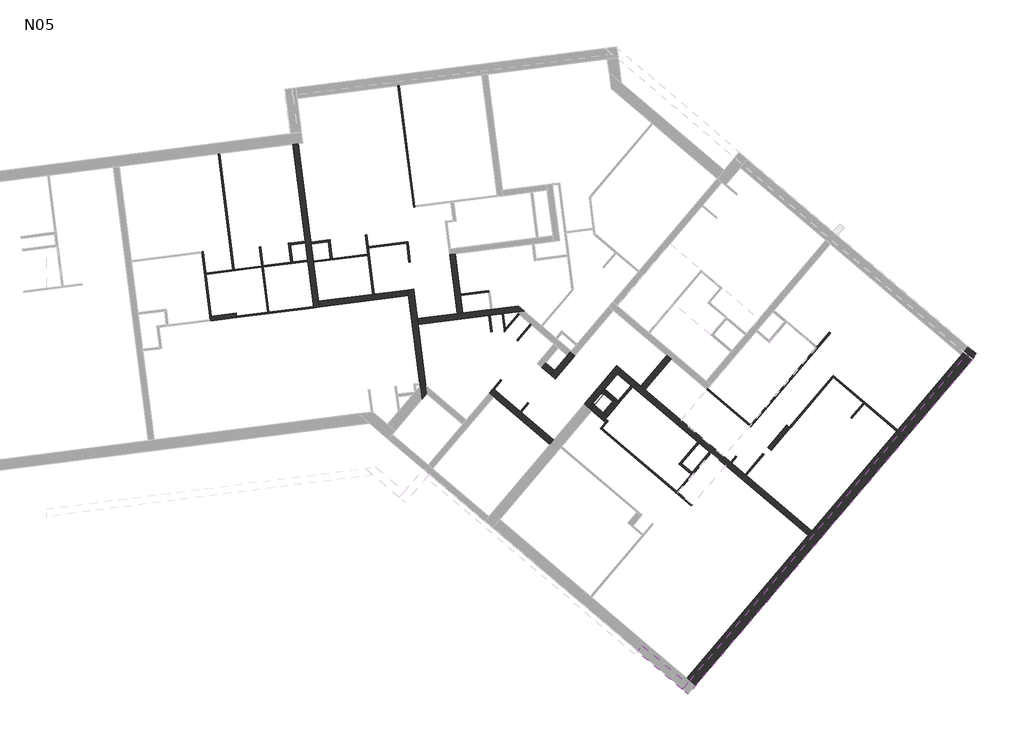
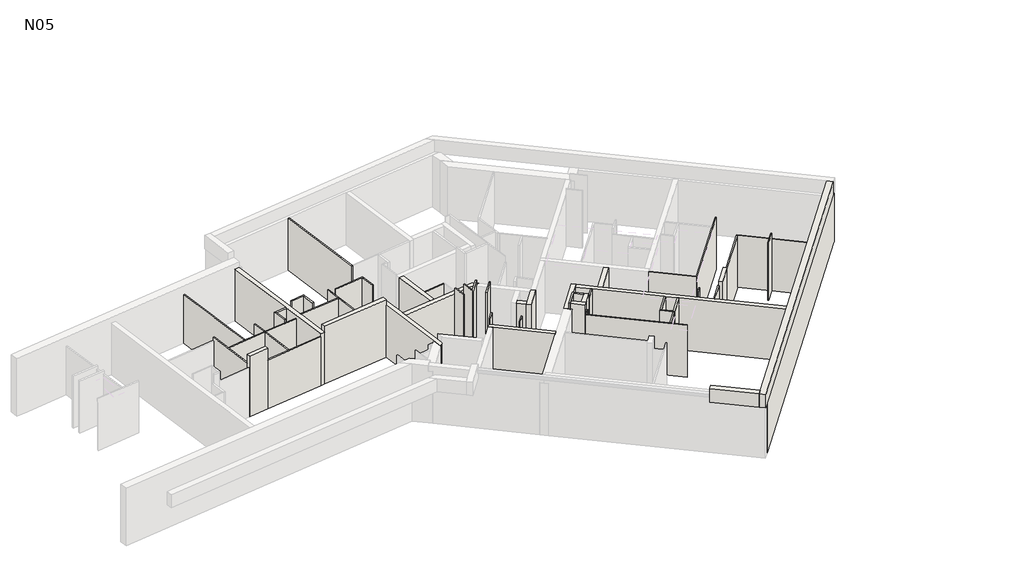
# One storey, part 2 of 3: 57 walls.
"""IFC4 building model written with IfcOpenShell, lengths in millimetres."""

from ifc_helpers import new_model, si_unit, frame, origin, place, context, project, spatial, polyline, outline, extrude, faceted_brep, element, save

model = new_model("IFC4")

# Units and contexts
model_context = context("Model", 3, world=origin())
ifc_project = project(units=[si_unit("LENGTHUNIT", "METRE", prefix="MILLI")], contexts=[model_context])

# Site, building, storey
site = spatial("IfcSite", under=ifc_project)
building = spatial("IfcBuilding", under=site)
storey = spatial("IfcBuildingStorey", under=building, Name="N05", Elevation=14150.0)

# Walls
placement = place(None, origin())
element("IfcWall", 1, at=placement, inside=storey, context=model_context, shape_type="Brep", body=[
    faceted_brep([(7448.5900764, 18403.1253969, 14150.0), (7473.9455369, 18204.7391559, 14150.0), (7854.1474738, 15229.9624634, 14150.0), (7860.4863389, 15180.3659032, 14150.0), (7865.2890942, 15142.7881766, 14150.0), (7925.3724793, 14672.6836444, 14150.0), (7925.3724793, 14672.6836444, 16650.0), (7865.2890942, 15142.7881766, 16650.0), (7448.5900764, 18403.1253969, 16650.0), (7646.9763174, 18428.4808575, 14150.0), (7646.9763174, 18428.4808575, 16650.0), (7775.7214118, 17421.1532528, 16650.0), (7801.0768724, 17222.7670118, 16650.0), (8100.609629, 14879.1622679, 16650.0), (8100.609629, 14879.1622679, 14150.0), (7801.0768724, 17222.7670118, 14150.0), (7775.7214118, 17421.1532528, 14150.0)], [[[0, 1, 2, 3, 4, 5, 6, 7, 8]], [[9, 10, 11, 12, 13, 14, 15, 16]], [[5, 4, 3, 2, 1, 0, 9, 16, 15, 14]], [[8, 7, 6, 13, 12, 11, 10]], [[0, 8, 10, 9]], [[5, 14, 13, 6]]]),
])
element("IfcWall", 2, at=placement, inside=storey, context=model_context, shape_type="Brep", body=[
    faceted_brep([(11193.6909618, 17857.9990323, 14150.0), (9323.1340917, 17618.9258451, 14150.0), (9124.7478507, 17593.5703845, 14150.0), (7775.7214118, 17421.1532528, 14150.0), (7775.7214118, 17421.1532528, 16650.0), (9124.7478507, 17593.5703845, 16650.0), (9323.1340917, 17618.9258451, 16650.0), (11193.6909618, 17857.9990323, 16650.0), (7801.0768724, 17222.7670118, 14150.0), (10201.5503886, 17529.5680845, 14150.0), (10251.1469488, 17535.9069496, 14150.0), (10647.9194308, 17586.6178707, 14150.0), (10697.5159911, 17592.9567358, 14150.0), (11131.5384241, 17648.4285197, 14150.0), (11400.1695853, 17682.7618826, 14150.0), (11400.1695853, 17682.7618826, 16650.0), (11131.5384241, 17648.4285197, 16650.0), (7801.0768724, 17222.7670118, 16650.0)], [[[0, 1, 2, 3, 4, 5, 6, 7]], [[8, 9, 10, 11, 12, 13, 14, 15, 16, 17]], [[3, 2, 1, 0, 14, 13, 12, 11, 10, 9, 8]], [[7, 6, 5, 4, 17, 16, 15]], [[4, 3, 8, 17]], [[0, 7, 15, 14]]]),
])
element("IfcWall", 3, at=placement, inside=storey, context=model_context, shape_type="Brep", body=[
    faceted_brep([(21169.2234821, 10207.5372268, 14150.0), (18944.375048, 12095.7525364, 14150.0), (18906.2535231, 12128.1060422, 14150.0), (18448.7952247, 12516.3481127, 14150.0), (18410.6736999, 12548.7016185, 14150.0), (15509.5884767, 15010.8349705, 14150.0), (15357.1023773, 15140.248994, 14150.0), (14698.6274171, 15699.0926804, 14150.0), (14698.6274171, 15699.0926804, 16650.0), (15357.1023773, 15140.248994, 16650.0), (15509.5884767, 15010.8349705, 16650.0), (18906.2535231, 12128.1060422, 16650.0), (18944.375048, 12095.7525364, 16650.0), (21169.2234821, 10207.5372268, 16650.0), (14569.2133936, 15546.6065809, 14150.0), (15034.295997, 15151.8938093, 14150.0), (15087.6661318, 15106.5989011, 14150.0), (17287.5345954, 13239.5839403, 14150.0), (17340.9047302, 13194.2890321, 14150.0), (17691.622759, 12896.6367781, 14150.0), (17744.9928938, 12851.3418699, 14150.0), (21039.8094586, 10055.0511274, 14150.0), (21039.8094586, 10055.0511274, 16650.0), (17744.9928938, 12851.3418699, 16650.0), (17691.622759, 12896.6367781, 16650.0), (17340.9047302, 13194.2890321, 16650.0), (17287.5345954, 13239.5839403, 16650.0), (15087.6661318, 15106.5989011, 16650.0), (15034.295997, 15151.8938093, 16650.0), (14569.2133936, 15546.6065809, 16650.0)], [[[0, 1, 2, 3, 4, 5, 6, 7, 8, 9, 10, 11, 12, 13]], [[14, 15, 16, 17, 18, 19, 20, 21, 22, 23, 24, 25, 26, 27, 28, 29]], [[7, 6, 5, 4, 3, 2, 1, 0, 21, 20, 19, 18, 17, 16, 15, 14]], [[13, 12, 11, 10, 9, 8, 29, 28, 27, 26, 25, 24, 23, 22]], [[8, 7, 14, 29]], [[0, 13, 22, 21]]]),
])
element("IfcWall", 4, at=placement, inside=storey, context=model_context, shape_type="SweptSolid", body=[
    extrude(outline(polyline([(16389.6038364, 16047.7404468), (15509.5884767, 15010.8349705), (15357.1023773, 15140.248994), (16237.1177369, 16177.1544703), (16389.6038364, 16047.7404468)])), frame((0.0, 0.0, 14150.0), z_axis=(0.0, 0.0, 1.0), x_axis=(1.0, 0.0, 0.0)), (0.0, 0.0, 1.0), 2500.0),
])
element("IfcWall", 5, at=placement, inside=storey, context=model_context, shape_type="Brep", body=[
    faceted_brep([(12403.0945249, 13303.3951464, 14150.0), (11305.1946088, 14235.1761155, 14150.0), (11267.073084, 14267.5296214, 14150.0), (10382.6537071, 15018.1309575, 14150.0), (10344.5321823, 15050.4844634, 14150.0), (10344.5321823, 15050.4844634, 16650.0), (12403.0945249, 13303.3951464, 16650.0), (12273.6805015, 13150.909047, 14150.0), (12273.6805015, 13150.909047, 16650.0), (10367.6042582, 14768.5843405, 16650.0), (10215.1181588, 14897.9983639, 16650.0), (10215.1181588, 14897.9983639, 14150.0), (10367.6042582, 14768.5843405, 14150.0)], [[[0, 1, 2, 3, 4, 5, 6]], [[7, 8, 9, 10, 11, 12]], [[4, 3, 2, 1, 0, 7, 12, 11]], [[6, 5, 10, 9, 8]], [[5, 4, 11, 10]], [[0, 6, 8, 7]]]),
])
element("IfcWall", 6, at=placement, inside=storey, context=model_context, shape_type="Brep", body=[
    faceted_brep([(26427.4789287, 16202.3347159, 16590.0), (17022.3147725, 5120.407438, 16590.0), (16938.1956572, 5021.2914733, 16590.0), (16769.9574267, 4823.059544, 16590.0), (16769.9574267, 4823.059544, 17230.0), (16938.1956572, 5021.2914733, 17230.0), (26427.4789287, 16202.3347159, 17230.0), (26625.710858, 16034.0964854, 16590.0), (26625.710858, 16034.0964854, 17230.0), (16968.189356, 4654.8213135, 17230.0), (16968.189356, 4654.8213135, 16590.0)], [[[0, 1, 2, 3, 4, 5, 6]], [[7, 8, 9, 10]], [[3, 2, 1, 0, 7, 10]], [[6, 5, 4, 9, 8]], [[4, 3, 10, 9]], [[0, 6, 8, 7]]]),
])
element("IfcWall", 7, at=placement, inside=storey, context=model_context, shape_type="Brep", body=[
    faceted_brep([(16938.1956572, 5021.2914733, 16590.0), (15413.3346628, 6315.431708, 16590.0), (15413.3346628, 6315.431708, 16920.0), (15413.3346628, 6315.431708, 17230.0), (16938.1956572, 5021.2914733, 17230.0), (16938.1956572, 5021.2914733, 16920.0), (15245.0964323, 6117.1997787, 16590.0), (16769.9574267, 4823.059544, 16590.0), (16769.9574267, 4823.059544, 17230.0), (15245.0964323, 6117.1997787, 17230.0), (15258.0378346, 6132.4483886, 16590.0), (15258.0378346, 6132.4483886, 17230.0)], [[[0, 1, 2, 3, 4, 5]], [[6, 7, 8, 9]], [[1, 0, 7, 6, 10]], [[6, 9, 11, 3, 2, 1, 10]], [[4, 3, 11, 9, 8]], [[0, 5, 4, 8, 7]]]),
])
element("IfcWall", 8, at=placement, inside=storey, context=model_context, shape_type="Brep", body=[
    faceted_brep([(26483.6597922, 16469.4371505, 14150.0), (26473.9537405, 16458.0006931, 14150.0), (26244.2438488, 16187.3378665, 14150.0), (21169.2234821, 10207.5372268, 14150.0), (21039.8094586, 10055.0511274, 14150.0), (16923.1988078, 5204.5265532, 14150.0), (16923.1988078, 5204.5265532, 16590.0), (26244.2438488, 16187.3378665, 16590.0), (26483.6597922, 16469.4371505, 16590.0), (26483.6597922, 16469.4371505, 14460.0), (26765.7590762, 16230.0212071, 14150.0), (26765.7590762, 16230.0212071, 16590.0), (17205.2980918, 4965.1106098, 16590.0), (17205.2980918, 4965.1106098, 14150.0), (26756.0530245, 16218.5847496, 14150.0), (17022.3147725, 5120.407438, 16590.0)], [[[0, 1, 2, 3, 4, 5, 6, 7, 8, 9]], [[10, 11, 12, 13, 14]], [[5, 4, 3, 2, 1, 0, 10, 14, 13]], [[8, 7, 6, 15, 12, 11]], [[6, 5, 13, 12, 15]], [[0, 9, 8, 11, 10]]]),
])
element("IfcWall", 9, at=placement, inside=storey, context=model_context, shape_type="SweptSolid", body=[
    extrude(outline(polyline([(14152.0802044, 14931.4722172), (14457.0524033, 14672.6441703), (14405.2867939, 14611.6497305), (14100.314595, 14870.4777775), (14152.0802044, 14931.4722172)])), frame((0.0, 0.0, 14150.0), z_axis=(0.0, 0.0, 1.0), x_axis=(1.0, 0.0, 0.0)), (0.0, 0.0, 1.0), 2770.0),
])
element("IfcWall", 10, at=placement, inside=storey, context=model_context, shape_type="Brep", body=[
    faceted_brep([(14091.0857646, 14983.2378266, 14150.0), (13586.371073, 14388.5420388, 14150.0), (13586.371073, 14388.5420388, 16920.0), (14091.0857646, 14983.2378266, 16920.0), (14019.9080517, 14899.3704719, 15650.0), (13728.7264989, 14556.2767482, 15650.0), (13728.7264989, 14556.2767482, 14650.0), (14019.9080517, 14899.3704719, 14650.0), (13647.3655128, 14336.7764294, 16920.0), (13647.3655128, 14336.7764294, 14150.0), (13776.7795363, 14489.2625288, 14150.0), (14100.314595, 14870.4777775, 14150.0), (14152.0802044, 14931.4722172, 14150.0), (14152.0802044, 14931.4722172, 16920.0), (14100.314595, 14870.4777775, 16920.0), (13776.7795363, 14489.2625288, 16920.0), (13789.7209386, 14504.5111388, 15650.0), (14080.9024915, 14847.6048625, 15650.0), (14080.9024915, 14847.6048625, 14650.0), (13789.7209386, 14504.5111388, 14650.0)], [[[0, 1, 2, 3], [4, 5, 6, 7]], [[8, 9, 10, 11, 12, 13, 14, 15], [16, 17, 18, 19]], [[1, 0, 12, 11, 10, 9]], [[3, 2, 8, 15, 14, 13]], [[4, 17, 16, 5]], [[6, 19, 18, 7]], [[17, 4, 7, 18]], [[5, 16, 19, 6]], [[0, 3, 13, 12]], [[1, 9, 8, 2]]]),
])
element("IfcWall", 11, at=placement, inside=storey, context=model_context, shape_type="Brep", body=[
    faceted_brep([(13647.3655128, 14336.7764294, 14150.0), (13700.7356476, 14291.4815212, 14150.0), (14104.8238112, 13948.5343589, 14150.0), (14104.8238112, 13948.5343589, 16920.0), (13647.3655128, 14336.7764294, 16920.0), (13776.7795363, 14489.2625288, 14150.0), (13776.7795363, 14489.2625288, 16920.0), (14081.7517352, 14230.4344819, 16920.0), (14234.2378347, 14101.0204584, 16920.0), (14234.2378347, 14101.0204584, 14150.0), (14081.7517352, 14230.4344819, 14150.0)], [[[0, 1, 2, 3, 4]], [[5, 6, 7, 8, 9, 10]], [[2, 1, 0, 5, 10, 9]], [[4, 3, 8, 7, 6]], [[3, 2, 9, 8]], [[0, 4, 6, 5]]]),
])
element("IfcWall", 12, at=placement, inside=storey, context=model_context, shape_type="Brep", body=[
    faceted_brep([(14234.2378347, 14101.0204584, 14150.0), (14609.5385027, 14543.2301468, 14150.0), (14609.5385027, 14543.2301468, 16920.0), (14234.2378347, 14101.0204584, 16920.0), (14081.7517352, 14230.4344819, 14150.0), (14081.7517352, 14230.4344819, 16920.0), (14405.2867939, 14611.6497305, 16920.0), (14457.0524033, 14672.6441703, 16920.0), (14457.0524033, 14672.6441703, 14150.0), (14405.2867939, 14611.6497305, 14150.0)], [[[0, 1, 2, 3]], [[4, 5, 6, 7, 8, 9]], [[1, 0, 4, 9, 8]], [[3, 2, 7, 6, 5]], [[0, 3, 5, 4]], [[2, 1, 8, 7]]]),
])
element("IfcWall", 13, at=placement, inside=storey, context=model_context, shape_type="Brep", body=[
    faceted_brep([(4446.7042459, 17817.8317941, 14150.0), (7473.9455369, 18204.7391559, 14150.0), (7473.9455369, 18204.7391559, 16920.0), (4446.7042459, 17817.8317941, 16920.0), (4446.7042459, 17817.8317941, 16650.0), (4421.3487853, 18016.2180351, 14150.0), (4421.3487853, 18016.2180351, 16920.0), (7448.5900764, 18403.1253969, 16920.0), (7448.5900764, 18403.1253969, 16650.0), (7448.5900764, 18403.1253969, 14150.0)], [[[0, 1, 2, 3, 4]], [[5, 6, 7, 8, 9]], [[1, 0, 5, 9]], [[3, 2, 7, 6]], [[0, 4, 3, 6, 5]], [[2, 1, 9, 8, 7]]]),
])
element("IfcWall", 14, at=placement, inside=storey, context=model_context, shape_type="Brep", body=[
    faceted_brep([(3538.3651094, 23347.2910817, 14150.0), (3957.9979815, 20063.998793, 14150.0), (3966.8723927, 19994.5636087, 14150.0), (4248.3180049, 17792.4763335, 14150.0), (4248.3180049, 17792.4763335, 16650.0), (3966.8723927, 19994.5636087, 16650.0), (3957.9979815, 20063.998793, 16650.0), (3538.3651094, 23347.2910817, 16650.0), (3736.7513504, 23372.6465422, 14150.0), (3736.7513504, 23372.6465422, 16650.0), (4245.7195776, 19390.3764045, 16650.0), (4252.0584428, 19340.7798442, 16650.0), (4446.7042459, 17817.8317941, 16650.0), (4446.7042459, 17817.8317941, 14150.0), (4421.3487853, 18016.2180351, 14150.0), (4252.0584428, 19340.7798442, 14150.0), (4245.7195776, 19390.3764045, 14150.0), (4172.188742, 19965.6965034, 14150.0), (4163.3143308, 20035.1316877, 14150.0)], [[[0, 1, 2, 3, 4, 5, 6, 7]], [[8, 9, 10, 11, 12, 13, 14, 15, 16, 17, 18]], [[3, 2, 1, 0, 8, 18, 17, 16, 15, 14, 13]], [[7, 6, 5, 4, 12, 11, 10, 9]], [[0, 7, 9, 8]], [[4, 3, 13, 12]]]),
])
element("IfcWall", 15, at=placement, inside=storey, context=model_context, shape_type="SweptSolid", body=[
    extrude(outline(polyline([(9067.0439401, 19622.6268793), (9323.1340917, 17618.9258451), (9124.7478507, 17593.5703845), (8868.6576991, 19597.2714187), (9067.0439401, 19622.6268793)])), frame((0.0, 0.0, 14150.0), z_axis=(0.0, 0.0, 1.0), x_axis=(1.0, 0.0, 0.0)), (0.0, 0.0, 1.0), 2500.0),
])
element("IfcWall", 16, at=placement, inside=storey, context=model_context, shape_type="Brep", body=[
    faceted_brep([(12962.4236983, 16284.7486131, 14150.0), (12435.0615526, 15663.3677578, 14150.0), (12305.6475292, 15510.8816583, 14150.0), (12305.6475292, 15510.8816583, 16650.0), (12435.0615526, 15663.3677578, 16650.0), (12962.4236983, 16284.7486131, 16650.0), (13114.9097978, 16155.3345896, 14150.0), (13114.9097978, 16155.3345896, 16650.0), (12458.1336286, 15381.4676348, 16650.0), (12458.1336286, 15381.4676348, 14150.0)], [[[0, 1, 2, 3, 4, 5]], [[6, 7, 8, 9]], [[2, 1, 0, 6, 9]], [[5, 4, 3, 8, 7]], [[0, 5, 7, 6]], [[3, 2, 9, 8]]]),
])
element("IfcWall", 17, at=placement, inside=storey, context=model_context, shape_type="SweptSolid", body=[
    extrude(outline(polyline([(12305.6475292, 15510.8816583), (12000.6753302, 15769.7097053), (12130.0893537, 15922.1958047), (12435.0615526, 15663.3677578), (12305.6475292, 15510.8816583)])), frame((0.0, 0.0, 14150.0), z_axis=(0.0, 0.0, 1.0), x_axis=(1.0, 0.0, 0.0)), (0.0, 0.0, 1.0), 2500.0),
])
element("IfcWall", 18, at=placement, inside=storey, context=model_context, shape_type="Brep", body=[
    faceted_brep([(13586.371073, 14388.5420388, 14150.0), (14091.0857646, 14983.2378266, 14150.0), (14136.3806728, 15036.6079614, 14150.0), (14569.2133936, 15546.6065809, 14150.0), (14698.6274171, 15699.0926804, 14150.0), (14698.6274171, 15699.0926804, 16650.0), (14569.2133936, 15546.6065809, 16650.0), (14136.3806728, 15036.6079614, 16650.0), (14091.0857646, 14983.2378266, 16650.0), (13586.371073, 14388.5420388, 16650.0), (13433.8849736, 14517.9560622, 14150.0), (13433.8849736, 14517.9560622, 16650.0), (14546.1413177, 15828.5067039, 16650.0), (14546.1413177, 15828.5067039, 14150.0)], [[[0, 1, 2, 3, 4, 5, 6, 7, 8, 9]], [[10, 11, 12, 13]], [[4, 3, 2, 1, 0, 10, 13]], [[9, 8, 7, 6, 5, 12, 11]], [[0, 9, 11, 10]], [[5, 4, 13, 12]]]),
])
element("IfcWall", 19, ObjectType="CLO 10", at=placement, inside=storey, context=model_context, shape_type="Brep", body=[
    faceted_brep([(14261.0224826, 13947.1289946, 14150.0), (14169.5308229, 14024.7774087, 14150.0), (14169.5308229, 14024.7774087, 16650.0), (14261.0224826, 13947.1289946, 16650.0), (14196.3154709, 13870.8859448, 14150.0), (14196.3154709, 13870.8859448, 16650.0), (14158.193946, 13903.2394507, 16650.0), (14104.8238112, 13948.5343589, 16650.0), (14104.8238112, 13948.5343589, 14150.0), (14158.193946, 13903.2394507, 14150.0)], [[[0, 1, 2, 3]], [[4, 5, 6, 7, 8, 9]], [[1, 0, 4, 9, 8]], [[2, 1, 8, 7]], [[3, 2, 7, 6, 5]], [[0, 3, 5, 4]]]),
])
element("IfcWall", 20, ObjectType="CLO 5", at=placement, inside=storey, context=model_context, shape_type="Brep", body=[
    faceted_brep([(13983.4850143, 13697.3832165, 14150.0), (17083.0214647, 11066.8255171, 14150.0), (17083.0214647, 11066.8255171, 16650.0), (13983.4850143, 13697.3832165, 16650.0), (14015.8385202, 13735.5047413, 14150.0), (14015.8385202, 13735.5047413, 16650.0), (14053.960045, 13703.1512354, 16650.0), (16581.6736225, 11557.8961242, 16650.0), (16619.7951473, 11525.5426183, 16650.0), (17115.3749706, 11104.947042, 16650.0), (17115.3749706, 11104.947042, 14150.0), (16619.7951473, 11525.5426183, 14150.0), (16581.6736225, 11557.8961242, 14150.0), (14053.960045, 13703.1512354, 14150.0)], [[[0, 1, 2, 3]], [[4, 5, 6, 7, 8, 9, 10, 11, 12, 13]], [[1, 0, 4, 13, 12, 11, 10]], [[2, 1, 10, 9]], [[3, 2, 9, 8, 7, 6, 5]], [[0, 3, 5, 4]]]),
])
element("IfcWall", 21, ObjectType="CLO 5", at=placement, inside=storey, context=model_context, shape_type="SweptSolid", body=[
    extrude(outline(polyline([(17111.5684366, 12104.9897962), (16619.7951473, 11525.5426183), (16581.6736225, 11557.8961242), (17073.4469117, 12137.3433021), (17111.5684366, 12104.9897962)])), frame((0.0, 0.0, 14150.0), z_axis=(0.0, 0.0, 1.0), x_axis=(1.0, 0.0, 0.0)), (0.0, 0.0, 1.0), 2500.0),
])
element("IfcWall", 22, ObjectType="CLO 5", at=placement, inside=storey, context=model_context, shape_type="SweptSolid", body=[
    extrude(outline(polyline([(11564.0226558, 14540.1483144), (11305.1946088, 14235.1761155), (11267.073084, 14267.5296214), (11525.9011309, 14572.5018203), (11564.0226558, 14540.1483144)])), frame((0.0, 0.0, 14150.0), z_axis=(0.0, 0.0, 1.0), x_axis=(1.0, 0.0, 0.0)), (0.0, 0.0, 1.0), 2770.0),
])
element("IfcWall", 23, ObjectType="CLO 5", at=placement, inside=storey, context=model_context, shape_type="SweptSolid", body=[
    extrude(outline(polyline([(10251.1469488, 17535.9069496), (10322.1422384, 16980.4254748), (10272.5456781, 16974.0866097), (10201.5503886, 17529.5680845), (10251.1469488, 17535.9069496)])), frame((0.0, 0.0, 14150.0), z_axis=(0.0, 0.0, 1.0), x_axis=(1.0, 0.0, 0.0)), (0.0, 0.0, 1.0), 2770.0),
])
element("IfcWall", 24, ObjectType="CLO 5", at=placement, inside=storey, context=model_context, shape_type="Brep", body=[
    faceted_brep([(11191.2514373, 17597.7504492, 14150.0), (10761.6055806, 17091.5068516, 14150.0), (10717.7962932, 17039.8871957, 14150.0), (10717.7962932, 17039.8871957, 16920.0), (10761.6055806, 17091.5068516, 16920.0), (11191.2514373, 17597.7504492, 16920.0), (11229.3729621, 17565.3969433, 14150.0), (11229.3729621, 17565.3969433, 16920.0), (10726.3796339, 16972.7294054, 16920.0), (10726.3796339, 16972.7294054, 14150.0)], [[[0, 1, 2, 3, 4, 5]], [[6, 7, 8, 9]], [[2, 1, 0, 6, 9]], [[5, 4, 3, 8, 7]], [[3, 2, 9, 8]], [[0, 5, 7, 6]]]),
])
element("IfcWall", 25, ObjectType="CLO 5", at=placement, inside=storey, context=model_context, shape_type="Brep", body=[
    faceted_brep([(10382.6537071, 15018.1309575, 14150.0), (10641.4817541, 15323.1031564, 14150.0), (10641.4817541, 15323.1031564, 16920.0), (10382.6537071, 15018.1309575, 16920.0), (10344.5321823, 15050.4844634, 14150.0), (10344.5321823, 15050.4844634, 16650.0), (10344.5321823, 15050.4844634, 16920.0), (10603.3602292, 15355.4566623, 16920.0), (10603.3602292, 15355.4566623, 14150.0)], [[[0, 1, 2, 3]], [[4, 5, 6, 7, 8]], [[1, 0, 4, 8]], [[2, 1, 8, 7]], [[3, 2, 7, 6]], [[0, 3, 6, 5, 4]]]),
])
element("IfcWall", 26, ObjectType="CLO 5", at=placement, inside=storey, context=model_context, shape_type="SweptSolid", body=[
    extrude(outline(polyline([(11142.841508, 16690.7247797), (11610.5882108, 17241.8618846), (11648.7097356, 17209.5083788), (11180.9630329, 16658.3712739), (11142.841508, 16690.7247797)])), frame((0.0, 0.0, 14150.0), z_axis=(0.0, 0.0, 1.0), x_axis=(1.0, 0.0, 0.0)), (0.0, 0.0, 1.0), 2770.0),
])
element("IfcWall", 27, ObjectType="CLO 5", at=placement, inside=storey, context=model_context, shape_type="SweptSolid", body=[
    extrude(outline(polyline([(14196.3154709, 13870.8859448), (14053.960045, 13703.1512354), (14015.8385202, 13735.5047413), (14158.193946, 13903.2394507), (14196.3154709, 13870.8859448)])), frame((0.0, 0.0, 14150.0), z_axis=(0.0, 0.0, 1.0), x_axis=(1.0, 0.0, 0.0)), (0.0, 0.0, 1.0), 2500.0),
])
element("IfcWall", 28, ObjectType="CLO 5", at=placement, inside=storey, context=model_context, shape_type="Brep", body=[
    faceted_brep([(7692.3390138, 21213.9727769, 14150.0), (7686.0001486, 21263.5693371, 14150.0), (7164.5987486, 25343.1191289, 14150.0), (7164.5987486, 25343.1191289, 16650.0), (7686.0001486, 21263.5693371, 16650.0), (7692.3390138, 21213.9727769, 16650.0), (7642.7424535, 21207.6339118, 14150.0), (7642.7424535, 21207.6339118, 16650.0), (7115.0021883, 25336.7802638, 16650.0), (7115.0021883, 25336.7802638, 14150.0)], [[[0, 1, 2, 3, 4, 5]], [[6, 7, 8, 9]], [[2, 1, 0, 6, 9]], [[5, 4, 3, 8, 7]], [[0, 5, 7, 6]], [[3, 2, 9, 8]]]),
])
element("IfcWall", 29, ObjectType="CLO 5", at=placement, inside=storey, context=model_context, shape_type="Brep", body=[
    faceted_brep([(4252.0584428, 19340.7798442, 14150.0), (6087.131172, 19575.3178543, 14150.0), (6087.131172, 19575.3178543, 16650.0), (4252.0584428, 19340.7798442, 16650.0), (4245.7195776, 19390.3764045, 14150.0), (4245.7195776, 19390.3764045, 16650.0), (6080.7923069, 19624.9144146, 16650.0), (6080.7923069, 19624.9144146, 14150.0), (4890.4748609, 19472.7816512, 14150.0), (4821.0396765, 19463.9072401, 14150.0)], [[[0, 1, 2, 3]], [[4, 5, 6, 7, 8, 9]], [[1, 0, 4, 9, 8, 7]], [[3, 2, 6, 5]], [[0, 3, 5, 4]], [[2, 1, 7, 6]]]),
])
element("IfcWall", 30, ObjectType="CLO 5", at=placement, inside=storey, context=model_context, shape_type="Brep", body=[
    faceted_brep([(5998.3870601, 20269.6696978, 14150.0), (6080.7923069, 19624.9144146, 14150.0), (6087.131172, 19575.3178543, 14150.0), (6256.4215146, 18250.7560452, 14150.0), (6256.4215146, 18250.7560452, 16650.0), (6087.131172, 19575.3178543, 16650.0), (6080.7923069, 19624.9144146, 16650.0), (5998.3870601, 20269.6696978, 16650.0), (6047.9836204, 20276.008563, 14150.0), (6047.9836204, 20276.008563, 16650.0), (6306.0180749, 18257.0949103, 16650.0), (6306.0180749, 18257.0949103, 14150.0), (6105.7099365, 19824.3462142, 14150.0), (6099.3710714, 19873.9427745, 14150.0)], [[[0, 1, 2, 3, 4, 5, 6, 7]], [[8, 9, 10, 11, 12, 13]], [[3, 2, 1, 0, 8, 13, 12, 11]], [[7, 6, 5, 4, 10, 9]], [[0, 7, 9, 8]], [[4, 3, 11, 10]]]),
])
element("IfcWall", 31, ObjectType="CLO 5", at=placement, inside=storey, context=model_context, shape_type="Brep", body=[
    faceted_brep([(6105.7099365, 19824.3462142, 14150.0), (7406.9909308, 19990.6610693, 14150.0), (7456.5874911, 19996.9999344, 14150.0), (7456.5874911, 19996.9999344, 16920.0), (7406.9909308, 19990.6610693, 16920.0), (6105.7099365, 19824.3462142, 16920.0), (6099.3710714, 19873.9427745, 14150.0), (6099.3710714, 19873.9427745, 16920.0), (7450.2486259, 20046.5964947, 16920.0), (7450.2486259, 20046.5964947, 14150.0)], [[[0, 1, 2, 3, 4, 5]], [[6, 7, 8, 9]], [[2, 1, 0, 6, 9]], [[5, 4, 3, 8, 7]], [[3, 2, 9, 8]], [[0, 5, 7, 6]]]),
])
element("IfcWall", 32, ObjectType="CLO 5", at=placement, inside=storey, context=model_context, shape_type="SweptSolid", body=[
    extrude(outline(polyline([(7489.3961776, 19345.905786), (7406.9909308, 19990.6610693), (7456.5874911, 19996.9999344), (7538.9927379, 19352.2446512), (7489.3961776, 19345.905786)])), frame((0.0, 0.0, 14150.0), z_axis=(0.0, 0.0, 1.0), x_axis=(1.0, 0.0, 0.0)), (0.0, 0.0, 1.0), 2770.0),
])
element("IfcWall", 33, ObjectType="CLO 5", at=placement, inside=storey, context=model_context, shape_type="SweptSolid", body=[
    extrude(outline(polyline([(10697.5159911, 17592.9567358), (10761.6055806, 17091.5068516), (10717.7962932, 17039.8871957), (10647.9194308, 17586.6178707), (10697.5159911, 17592.9567358)])), frame((0.0, 0.0, 14150.0), z_axis=(0.0, 0.0, 1.0), x_axis=(1.0, 0.0, 0.0)), (0.0, 0.0, 1.0), 2770.0),
])
element("IfcWall", 34, ObjectType="CLO 5", at=placement, inside=storey, context=model_context, shape_type="SweptSolid", body=[
    extrude(outline(polyline([(9241.5528819, 18257.2336968), (10183.8875266, 18377.6721345), (10190.2263918, 18328.0755742), (9247.891747, 18207.6371366), (9241.5528819, 18257.2336968)])), frame((0.0, 0.0, 14150.0), z_axis=(0.0, 0.0, 1.0), x_axis=(1.0, 0.0, 0.0)), (0.0, 0.0, 1.0), 2500.0),
])
element("IfcWall", 35, ObjectType="CLO 5", at=placement, inside=storey, context=model_context, shape_type="SweptSolid", body=[
    extrude(outline(polyline([(1510.9786555, 19095.9613877), (1008.9405366, 23024.0089596), (1058.5370969, 23030.3478248), (1560.5752158, 19102.3002529), (1510.9786555, 19095.9613877)])), frame((0.0, 0.0, 14150.0), z_axis=(0.0, 0.0, 1.0), x_axis=(1.0, 0.0, 0.0)), (0.0, 0.0, 1.0), 2350.0),
])
element("IfcWall", 36, ObjectType="CLO 5", at=placement, inside=storey, context=model_context, shape_type="Brep", body=[
    faceted_brep([(2400.6659897, 19864.9584277, 14150.0), (2483.0712364, 19220.2031444, 14150.0), (2489.4101016, 19170.6065842, 14150.0), (2684.6471478, 17643.0325284, 14150.0), (2684.6471478, 17643.0325284, 16500.0), (2489.4101016, 19170.6065842, 16500.0), (2483.0712364, 19220.2031444, 16500.0), (2400.6659897, 19864.9584277, 16500.0), (2450.2625499, 19871.2972928, 14150.0), (2450.2625499, 19871.2972928, 16500.0), (2532.6677967, 19226.5420096, 16500.0), (2539.0066618, 19176.9454493, 16500.0), (2734.2437081, 17649.3713936, 16500.0), (2734.2437081, 17649.3713936, 14150.0), (2539.0066618, 19176.9454493, 14150.0), (2532.6677967, 19226.5420096, 14150.0)], [[[0, 1, 2, 3, 4, 5, 6, 7]], [[8, 9, 10, 11, 12, 13, 14, 15]], [[3, 2, 1, 0, 8, 15, 14, 13]], [[7, 6, 5, 4, 12, 11, 10, 9]], [[0, 7, 9, 8]], [[4, 3, 13, 12]]]),
])
element("IfcWall", 37, ObjectType="CLO 5", at=placement, inside=storey, context=model_context, shape_type="Brep", body=[
    faceted_brep([(4241.9791397, 17842.0728938, 14150.0), (2734.2437081, 17649.3713936, 14150.0), (2684.6471478, 17643.0325284, 14150.0), (1633.2000705, 17508.6485875, 14150.0), (1633.2000705, 17508.6485875, 16500.0), (2684.6471478, 17643.0325284, 16500.0), (2734.2437081, 17649.3713936, 16500.0), (4241.9791397, 17842.0728938, 16500.0), (4248.3180049, 17792.4763335, 14150.0), (4248.3180049, 17792.4763335, 16500.0), (1639.5389356, 17459.0520273, 16500.0), (1639.5389356, 17459.0520273, 14150.0)], [[[0, 1, 2, 3, 4, 5, 6, 7]], [[8, 9, 10, 11]], [[3, 2, 1, 0, 8, 11]], [[4, 3, 11, 10]], [[7, 6, 5, 4, 10, 9]], [[0, 7, 9, 8]]]),
])
element("IfcWall", 38, ObjectType="CLO 5", at=placement, inside=storey, context=model_context, shape_type="Brep", body=[
    faceted_brep([(4046.7420935, 19369.6469495, 14150.0), (4046.7420935, 19369.6469495, 16500.0), (2539.0066618, 19176.9454493, 16500.0), (2539.0066618, 19176.9454493, 14150.0), (4040.4032283, 19419.2435098, 16500.0), (4040.4032283, 19419.2435098, 14150.0), (3544.4376258, 19355.8548584, 14150.0), (3475.0024415, 19346.9804472, 14150.0), (2532.6677967, 19226.5420096, 14150.0), (2532.6677967, 19226.5420096, 16500.0)], [[[0, 1, 2, 3]], [[4, 5, 6, 7, 8, 9]], [[5, 0, 3, 8, 7, 6]], [[1, 0, 5, 4]], [[1, 4, 9, 2]], [[3, 2, 9, 8]]]),
    faceted_brep([(594.8215, 18928.4619359, 16500.0), (594.8215, 18928.4619359, 16250.0), (594.8215, 18928.4619359, 14150.0), (2489.4101016, 19170.6065842, 14150.0), (2489.4101016, 19170.6065842, 16500.0), (588.4826348, 18978.0584962, 14150.0), (588.4826348, 18978.0584962, 16500.0), (1510.9786555, 19095.9613877, 16500.0), (1560.5752158, 19102.3002529, 16500.0), (2483.0712364, 19220.2031444, 16500.0), (2483.0712364, 19220.2031444, 14150.0), (1560.5752158, 19102.3002529, 14150.0), (1510.9786555, 19095.9613877, 14150.0)], [[[0, 1, 2, 3, 4]], [[5, 6, 7, 8, 9, 10, 11, 12]], [[2, 5, 12, 11, 10, 3]], [[6, 0, 4, 9, 8, 7]], [[2, 1, 0, 6, 5]], [[4, 3, 10, 9]]]),
])
element("IfcWall", 39, ObjectType="CLO 5", at=placement, inside=storey, context=model_context, shape_type="Brep", body=[
    faceted_brep([(445.0708706, 19705.7487227, 14150.0), (451.4097357, 19656.1521625, 14150.0), (726.5164827, 17503.6614476, 14150.0), (726.5164827, 17503.6614476, 16650.0), (445.0708706, 19705.7487227, 16650.0), (445.0708706, 19705.7487227, 16500.0), (776.1130429, 17510.0003127, 16650.0), (776.1130429, 17510.0003127, 14150.0), (594.8215, 18928.4619359, 14150.0), (588.4826348, 18978.0584962, 14150.0), (494.6674308, 19712.0875879, 14150.0), (494.6674308, 19712.0875879, 16650.0)], [[[0, 1, 2, 3, 4, 5]], [[6, 7, 8, 9, 10, 11]], [[2, 1, 0, 10, 9, 8, 7]], [[3, 2, 7, 6]], [[4, 3, 6, 11]], [[0, 5, 4, 11, 10]]]),
])
element("IfcWall", 40, ObjectType="CLO 5", at=placement, inside=storey, context=model_context, shape_type="Brep", body=[
    faceted_brep([(19100.0814352, 13747.3746242, 14150.0), (21804.8345259, 16934.3341028, 14150.0), (21804.8345259, 16934.3341028, 16650.0), (19100.0814352, 13747.3746242, 16650.0), (19061.9599103, 13779.7281301, 14150.0), (19061.9599103, 13779.7281301, 16650.0), (19094.3134162, 13817.8496549, 16650.0), (21313.7639188, 16432.9862606, 16650.0), (21346.1174247, 16471.1077855, 16650.0), (21766.713001, 16966.6876087, 16650.0), (21766.713001, 16966.6876087, 14150.0), (21346.1174247, 16471.1077855, 14150.0), (21313.7639188, 16432.9862606, 14150.0), (19094.3134162, 13817.8496549, 14150.0)], [[[0, 1, 2, 3]], [[4, 5, 6, 7, 8, 9, 10, 11, 12, 13]], [[1, 0, 4, 13, 12, 11, 10]], [[2, 1, 10, 9]], [[3, 2, 9, 8, 7, 6, 5]], [[0, 3, 5, 4]]]),
])
element("IfcWall", 41, ObjectType="CLO 5", at=placement, inside=storey, context=model_context, shape_type="SweptSolid", body=[
    extrude(outline(polyline([(19546.1502571, 12804.8128988), (18944.375048, 12095.7525364), (18906.2535231, 12128.1060422), (19508.0287323, 12837.1664047), (19546.1502571, 12804.8128988)])), frame((0.0, 0.0, 14150.0), z_axis=(0.0, 0.0, 1.0), x_axis=(1.0, 0.0, 0.0)), (0.0, 0.0, 1.0), 2500.0),
])
element("IfcWall", 42, ObjectType="CLO 5", at=placement, inside=storey, context=model_context, shape_type="Brep", body=[
    faceted_brep([(24081.0390103, 13638.4744646, 14150.0), (21892.8634831, 15495.5657015, 14150.0), (21892.8634831, 15495.5657015, 16650.0), (24081.0390103, 13638.4744646, 16650.0), (24048.6855045, 13600.3529397, 14150.0), (24048.6855045, 13600.3529397, 16650.0), (21898.6315021, 15425.0906708, 16650.0), (21860.5099773, 15457.4441766, 16650.0), (21860.5099773, 15457.4441766, 14150.0), (21898.6315021, 15425.0906708, 14150.0), (22911.4739151, 14565.4974863, 14150.0), (22949.59544, 14533.1439805, 14150.0)], [[[0, 1, 2, 3]], [[4, 5, 6, 7, 8, 9, 10, 11]], [[1, 0, 4, 11, 10, 9, 8]], [[3, 2, 7, 6, 5]], [[0, 3, 5, 4]], [[2, 1, 8, 7]]]),
])
element("IfcWall", 43, ObjectType="CLO 5", at=placement, inside=storey, context=model_context, shape_type="SweptSolid", body=[
    extrude(outline(polyline([(19061.9599103, 13779.7281301), (17604.2690426, 15016.8614875), (17636.6225485, 15054.9830123), (19094.3134162, 13817.8496549), (19061.9599103, 13779.7281301)])), frame((0.0, 0.0, 14150.0), z_axis=(0.0, 0.0, 1.0), x_axis=(1.0, 0.0, 0.0)), (0.0, 0.0, 1.0), 2500.0),
])
element("IfcWall", 44, ObjectType="CLO 5", at=placement, inside=storey, context=model_context, shape_type="SweptSolid", body=[
    extrude(outline(polyline([(22949.59544, 14533.1439805), (22528.9998637, 14037.5641572), (22490.8783388, 14069.9176631), (22911.4739151, 14565.4974863), (22949.59544, 14533.1439805)])), frame((0.0, 0.0, 14150.0), z_axis=(0.0, 0.0, 1.0), x_axis=(1.0, 0.0, 0.0)), (0.0, 0.0, 1.0), 2770.0),
])
element("IfcWall", 45, ObjectType="CLO 5", at=placement, inside=storey, context=model_context, shape_type="SweptSolid", body=[
    extrude(outline(polyline([(21898.6315021, 15425.0906708), (20445.7719353, 13713.2136852), (20407.6504104, 13745.5671911), (21860.5099773, 15457.4441766), (21898.6315021, 15425.0906708)])), frame((0.0, 0.0, 14150.0), z_axis=(0.0, 0.0, 1.0), x_axis=(1.0, 0.0, 0.0)), (0.0, 0.0, 1.0), 2500.0),
])
element("IfcWall", 46, ObjectType="CLO 5", at=placement, inside=storey, context=model_context, shape_type="SweptSolid", body=[
    extrude(outline(polyline([(18623.5041564, 12722.2043469), (18448.7952247, 12516.3481127), (18410.6736999, 12548.7016185), (18585.3826316, 12754.5578528), (18623.5041564, 12722.2043469)])), frame((0.0, 0.0, 14150.0), z_axis=(0.0, 0.0, 1.0), x_axis=(1.0, 0.0, 0.0)), (0.0, 0.0, 1.0), 2770.0),
])
element("IfcWall", 47, ObjectType="CLO 7", at=placement, inside=storey, context=model_context, shape_type="Brep", body=[
    faceted_brep([(14091.0857646, 14983.2378266, 14150.0), (14609.5385027, 14543.2301468, 14150.0), (14609.5385027, 14543.2301468, 16650.0), (14091.0857646, 14983.2378266, 16650.0), (14136.3806728, 15036.6079614, 14150.0), (14136.3806728, 15036.6079614, 16650.0), (14601.4632762, 14641.8951898, 16650.0), (14654.833411, 14596.6002816, 16650.0), (14654.833411, 14596.6002816, 14150.0), (14601.4632762, 14641.8951898, 14150.0)], [[[0, 1, 2, 3]], [[4, 5, 6, 7, 8, 9]], [[1, 0, 4, 9, 8]], [[3, 2, 7, 6, 5]], [[2, 1, 8, 7]], [[0, 3, 5, 4]]]),
])
element("IfcWall", 48, ObjectType="CLO 7", at=placement, inside=storey, context=model_context, shape_type="SweptSolid", body=[
    extrude(outline(polyline([(15087.6661318, 15106.5989011), (14654.833411, 14596.6002816), (14601.4632762, 14641.8951898), (15034.295997, 15151.8938093), (15087.6661318, 15106.5989011)])), frame((0.0, 0.0, 14150.0), z_axis=(0.0, 0.0, 1.0), x_axis=(1.0, 0.0, 0.0)), (0.0, 0.0, 1.0), 2500.0),
])
element("IfcWall", 49, ObjectType="CLO 7", at=placement, inside=storey, context=model_context, shape_type="Brep", body=[
    faceted_brep([(17111.5684366, 12104.9897962, 14150.0), (17744.9928938, 12851.3418699, 14150.0), (17744.9928938, 12851.3418699, 16650.0), (17111.5684366, 12104.9897962, 16650.0), (17058.1983017, 12150.2847045, 14150.0), (17058.1983017, 12150.2847045, 16650.0), (17103.49321, 12203.6548393, 16650.0), (17691.622759, 12896.6367781, 16650.0), (17691.622759, 12896.6367781, 14150.0), (17103.49321, 12203.6548393, 14150.0), (17073.4469117, 12137.3433021, 14150.0), (17073.4469117, 12137.3433021, 16650.0)], [[[0, 1, 2, 3]], [[4, 5, 6, 7, 8, 9]], [[1, 0, 10, 4, 9, 8]], [[3, 2, 7, 6, 5, 11]], [[0, 3, 11, 5, 4, 10]], [[2, 1, 8, 7]]]),
])
element("IfcWall", 50, ObjectType="CLO 7", at=placement, inside=storey, context=model_context, shape_type="Brep", body=[
    faceted_brep([(16654.1101382, 12493.2318667, 14150.0), (17058.1983017, 12150.2847045, 14150.0), (17058.1983017, 12150.2847045, 16650.0), (16654.1101382, 12493.2318667, 16650.0), (16699.4050464, 12546.6020015, 14150.0), (16699.4050464, 12546.6020015, 16650.0), (16752.7751812, 12501.3070933, 16650.0), (17103.49321, 12203.6548393, 16650.0), (17103.49321, 12203.6548393, 14150.0), (16752.7751812, 12501.3070933, 14150.0)], [[[0, 1, 2, 3]], [[4, 5, 6, 7, 8, 9]], [[1, 0, 4, 9, 8]], [[3, 2, 7, 6, 5]], [[2, 1, 8, 7]], [[0, 3, 5, 4]]]),
])
element("IfcWall", 51, ObjectType="CLO 7", at=placement, inside=storey, context=model_context, shape_type="SweptSolid", body=[
    extrude(outline(polyline([(16699.4050464, 12546.6020015), (17287.5345954, 13239.5839403), (17340.9047302, 13194.2890321), (16752.7751812, 12501.3070933), (16699.4050464, 12546.6020015)])), frame((0.0, 0.0, 14150.0), z_axis=(0.0, 0.0, 1.0), x_axis=(1.0, 0.0, 0.0)), (0.0, 0.0, 1.0), 2500.0),
])
element("IfcWall", 52, ObjectType="CLO 7", at=placement, inside=storey, context=model_context, shape_type="Brep", body=[
    faceted_brep([(4172.188742, 19965.6965034, 14150.0), (4747.5088409, 20039.227339, 14150.0), (4816.9440253, 20048.1017502, 14150.0), (4816.9440253, 20048.1017502, 16920.0), (4747.5088409, 20039.227339, 16920.0), (4172.188742, 19965.6965034, 16920.0), (4163.3143308, 20035.1316877, 14150.0), (4163.3143308, 20035.1316877, 16920.0), (4808.0696141, 20117.5369345, 16920.0), (4808.0696141, 20117.5369345, 14150.0)], [[[0, 1, 2, 3, 4, 5]], [[6, 7, 8, 9]], [[2, 1, 0, 6, 9]], [[5, 4, 3, 8, 7]], [[0, 5, 7, 6]], [[3, 2, 9, 8]]]),
])
element("IfcWall", 53, ObjectType="CLO 7", at=placement, inside=storey, context=model_context, shape_type="SweptSolid", body=[
    extrude(outline(polyline([(4821.0396765, 19463.9072401), (4747.5088409, 20039.227339), (4816.9440253, 20048.1017502), (4890.4748609, 19472.7816512), (4821.0396765, 19463.9072401)])), frame((0.0, 0.0, 14150.0), z_axis=(0.0, 0.0, 1.0), x_axis=(1.0, 0.0, 0.0)), (0.0, 0.0, 1.0), 2770.0),
])
element("IfcWall", 54, ObjectType="CLO 7", at=placement, inside=storey, context=model_context, shape_type="Brep", body=[
    faceted_brep([(3544.4376258, 19355.8548584, 14150.0), (3470.9067902, 19931.1749573, 14150.0), (3462.032379, 20000.6101416, 14150.0), (3462.032379, 20000.6101416, 16650.0), (3470.9067902, 19931.1749573, 16650.0), (3544.4376258, 19355.8548584, 16650.0), (3475.0024415, 19346.9804472, 14150.0), (3475.0024415, 19346.9804472, 16650.0), (3392.5971947, 19991.7357304, 16650.0), (3392.5971947, 19991.7357304, 14150.0)], [[[0, 1, 2, 3, 4, 5]], [[6, 7, 8, 9]], [[2, 1, 0, 6, 9]], [[5, 4, 3, 8, 7]], [[3, 2, 9, 8]], [[0, 5, 7, 6]]]),
])
element("IfcWall", 55, ObjectType="CLO 7", at=placement, inside=storey, context=model_context, shape_type="SweptSolid", body=[
    extrude(outline(polyline([(3966.8723927, 19994.5636087), (3470.9067902, 19931.1749573), (3462.032379, 20000.6101416), (3957.9979815, 20063.998793), (3966.8723927, 19994.5636087)])), frame((0.0, 0.0, 14150.0), z_axis=(0.0, 0.0, 1.0), x_axis=(1.0, 0.0, 0.0)), (0.0, 0.0, 1.0), 2500.0),
])
element("IfcWall", 56, ObjectType="EXT 16 ST", at=placement, inside=storey, context=model_context, shape_type="Brep", body=[
    faceted_brep([(746.8008511, 17344.9524548, 14150.0), (1639.5389356, 17459.0520273, 14150.0), (1639.5389356, 17459.0520273, 17070.0), (746.8008511, 17344.9524548, 17070.0), (726.5164827, 17503.6614476, 14150.0), (726.5164827, 17503.6614476, 17070.0), (1619.2545672, 17617.7610201, 17070.0), (1619.2545672, 17617.7610201, 14150.0), (1633.2000705, 17508.6485875, 14150.0)], [[[0, 1, 2, 3]], [[4, 5, 6, 7]], [[1, 0, 4, 7, 8]], [[2, 1, 8, 7, 6]], [[3, 2, 6, 5]], [[0, 3, 5, 4]]]),
])
element("IfcWall", 57, ObjectType="EXT 16 ST", at=placement, inside=storey, context=model_context, shape_type="SweptSolid", body=[
    extrude(outline(polyline([(20443.6954942, 13714.9759481), (19796.6253768, 12952.5454508), (19674.6364972, 13056.0766696), (20321.7066146, 13818.5071669), (20443.6954942, 13714.9759481)])), frame((0.0, 0.0, 14150.0), z_axis=(0.0, 0.0, 1.0), x_axis=(1.0, 0.0, 0.0)), (0.0, 0.0, 1.0), 2500.0),
])

save(model, "model.ifc")
